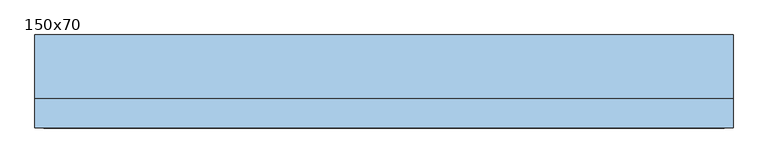
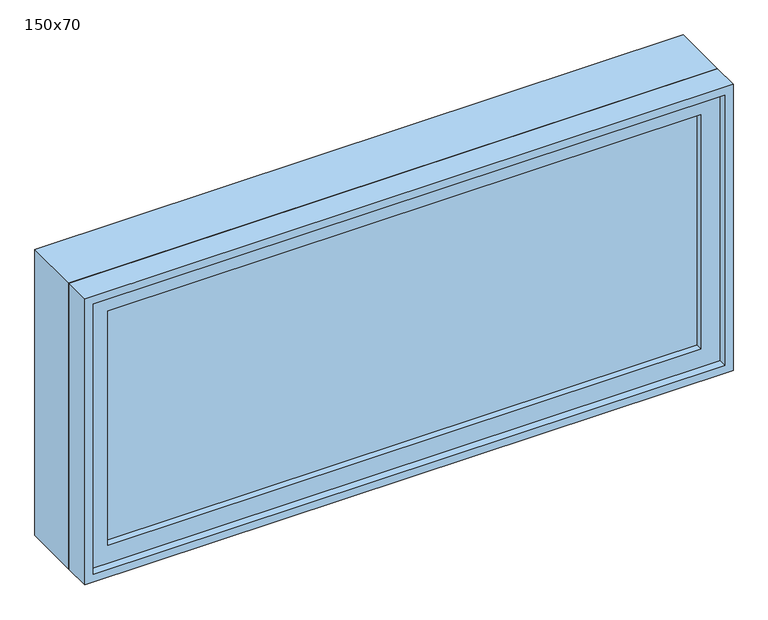
"""IFC4 building model written with IfcOpenShell, lengths in millimetres: window geometry, 150x70."""

from ifc_helpers import new_model, si_unit, frame, origin, place, context, project, spatial, polyline, outline, extrude, source, transform, mapped, element, save


def window_150x70_f70d1256(model_context):
    return source(origin(), model_context, "Body", "SweptSolid", [
        extrude(outline(polyline([(648.4, -52.375), (648.4, -65.075), (-724.6, -65.075), (-724.6, -52.375), (648.4, -52.375)])), frame((0.0, 0.0, 977.9), z_axis=(0.0, 0.0, 1.0), x_axis=(1.0, 0.0, 0.0)), (0.0, 0.0, 1.0), 573.0),
        extrude(outline(polyline([(1595.35, -769.05), (933.45, -769.05), (933.45, 692.85), (1595.35, 692.85), (1595.35, -769.05)]), holes=[polyline([(1550.9, -724.6), (1550.9, 648.4), (977.9, 648.4), (977.9, -724.6), (1550.9, -724.6)])]), frame((0.0, -80.95, 0.0), z_axis=(0.0, 1.0, 0.0), x_axis=(0.0, 0.0, 1.0)), (0.0, 0.0, 1.0), 44.45),
        extrude(outline(polyline([(1614.4, -788.1), (914.4, -788.1), (914.4, 711.9), (1614.4, 711.9), (1614.4, -788.1)]), holes=[polyline([(1582.65, -756.35), (1582.65, 680.15), (946.15, 680.15), (946.15, -756.35), (1582.65, -756.35)])]), frame((0.0, -36.5, 0.0), z_axis=(0.0, 1.0, 0.0), x_axis=(0.0, 0.0, 1.0)), (0.0, 0.0, 1.0), 136.5),
        extrude(outline(polyline([(1614.4, 711.9), (1614.4, -788.1), (914.4, -788.1), (914.4, 711.9), (1614.4, 711.9)]), holes=[polyline([(1595.35, 692.85), (933.45, 692.85), (933.45, -769.05), (1595.35, -769.05), (1595.35, 692.85)])]), frame((0.0, -100.0, 0.0), z_axis=(0.0, 1.0, 0.0), x_axis=(0.0, 0.0, 1.0)), (0.0, 0.0, 1.0), 63.5),
    ])


if __name__ == "__main__":
    model = new_model("IFC4")
    model_context = context("Model", 3, world=origin())
    ifc_project = project(units=[si_unit("LENGTHUNIT", "METRE", prefix="MILLI")], contexts=[model_context])
    site = spatial("IfcSite", under=ifc_project)
    building = spatial("IfcBuilding", under=site)
    placement = place(None, origin())
    window_150x70_shape = window_150x70_f70d1256(model_context)
    element("IfcWindow", 1, ObjectType="150x70", at=placement, inside=building, context=model_context, shape_type="MappedRepresentation", body=[
        mapped(window_150x70_shape, transform((0.0, 0.0, 0.0), x_axis=(1.0, 0.0, 0.0), y_axis=(0.0, 1.0, 0.0), z_axis=(0.0, 0.0, 1.0))),
    ])
    save(model, "model.ifc")
